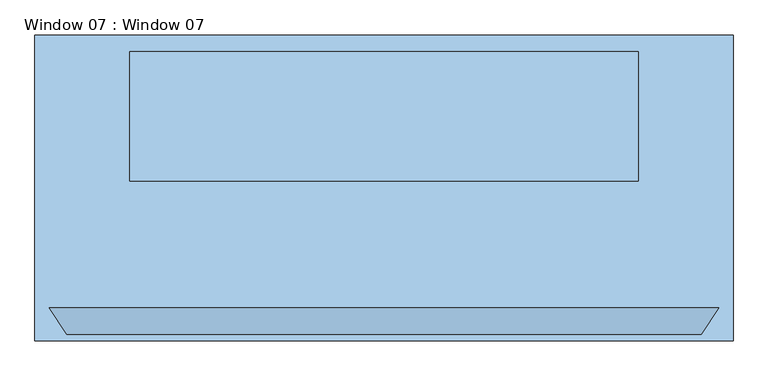
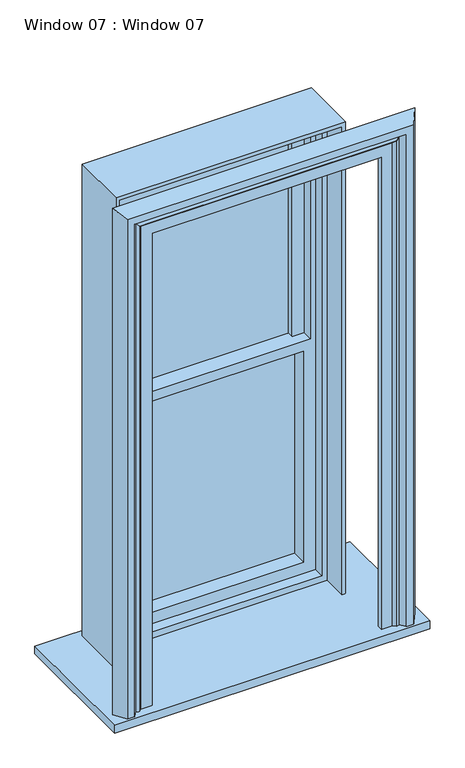
"""IFC4 building model written with IfcOpenShell, lengths in millimetres: window geometry, Window 07 : Window 07."""

from ifc_helpers import new_model, si_unit, frame, origin, place, context, project, spatial, polyline, outline, extrude, faceted_brep, source, transform, mapped, element, save


def window_07_window_07_a94d3a0d(model_context):
    return source(origin(), model_context, "Body", "SolidModel", [
        extrude(outline(polyline([(444.3636897, 224.79), (-444.3636897, 224.79), (-444.3636897, 250.19), (444.3636897, 250.19), (444.3636897, 224.79)])), frame((0.0, 0.0, 1041.4), z_axis=(0.0, 0.0, 1.0), x_axis=(1.0, 0.0, 0.0)), (0.0, 0.0, 1.0), 1054.1),
        extrude(outline(polyline([(745.998, -361.95), (-745.998, -361.95), (-745.998, 292.1), (745.998, 292.1), (745.998, -361.95)])), frame((0.0, 0.0, 914.4), z_axis=(0.0, 0.0, 1.0), x_axis=(1.0, 0.0, 0.0)), (0.0, 0.0, 1.0), 38.1),
        extrude(outline(polyline([(3313.176, 542.798), (3313.176, -542.798), (952.5, -542.798), (952.5, -526.9136897), (3294.028359, -526.9136897), (3294.028359, 526.9136897), (952.5, 526.9136897), (952.5, 542.798), (3313.176, 542.798)])), frame((0.0, -20.4924175, 0.0), z_axis=(0.0, 1.0, 0.0), x_axis=(0.0, 0.0, 1.0)), (0.0, 0.0, 1.0), 277.0324175),
        extrude(outline(polyline([(3294.028359, 526.9136897), (3294.028359, -526.9136897), (952.5, -526.9136897), (952.5, 526.9136897), (3294.028359, 526.9136897)]), holes=[polyline([(3274.978359, 501.5136897), (984.25, 501.5136897), (984.25, -501.5136897), (3274.978359, -501.5136897), (3274.978359, 501.5136897)])]), frame((0.0, 100.1575825, 0.0), z_axis=(0.0, 1.0, 0.0), x_axis=(0.0, 0.0, 1.0)), (0.0, 0.0, 1.0), 156.3824175),
        extrude(outline(polyline([(3274.978359, 501.5136897), (3274.978359, -501.5136897), (984.25, -501.5136897), (984.25, 501.5136897), (3274.978359, 501.5136897)]), holes=[polyline([(2146.3, 476.1136897), (2146.3, -476.1136897), (3224.178359, -476.1136897), (3224.178359, 476.1136897), (2146.3, 476.1136897)]), polyline([(2095.5, 444.3636897), (1041.4, 444.3636897), (1041.4, -444.3636897), (2095.5, -444.3636897), (2095.5, 444.3636897)])]), frame((0.0, 150.9575825, 0.0), z_axis=(0.0, 1.0, 0.0), x_axis=(0.0, 0.0, 1.0)), (0.0, 0.0, 1.0), 105.5824175),
        extrude(outline(polyline([(3224.178359, -476.1136897), (2146.3, -476.1136897), (2146.3, -418.9636897), (3198.778359, -418.9636897), (3198.778359, 418.9636897), (2146.3, 418.9636897), (2146.3, 476.1136897), (3224.178359, 476.1136897), (3224.178359, -476.1136897)])), frame((0.0, 201.7575825, 0.0), z_axis=(0.0, 1.0, 0.0), x_axis=(0.0, 0.0, 1.0)), (0.0, 0.0, 1.0), 54.7824175),
        extrude(outline(polyline([(418.9636897, 231.0816972), (-418.9636897, 231.0816972), (-418.9636897, 256.54), (418.9636897, 256.54), (418.9636897, 231.0816972)])), frame((0.0, 0.0, 2146.3), z_axis=(0.0, 0.0, 1.0), x_axis=(1.0, 0.0, 0.0)), (0.0, 0.0, 1.0), 1052.478359),
        faceted_brep([(715.4153887, -292.1, 952.5), (677.7358113, -348.7979492, 952.5), (643.2726197, -348.7979492, 952.5), (623.3357483, -322.2641439, 952.5), (609.1721356, -328.0150403, 952.5), (595.9656242, -315.2976797, 952.5), (542.798, -315.2976797, 952.5), (542.798, -292.1, 952.5), (715.4153887, -292.1, 3485.7933887), (677.7358113, -348.7979492, 3448.1138113), (-677.7358113, -348.7979492, 3448.1138113), (-677.7358113, -348.7979492, 952.5), (-643.2726197, -348.7979492, 952.5), (-643.2726197, -348.7979492, 3413.6506197), (643.2726197, -348.7979492, 3413.6506197), (623.3357483, -322.2641439, 3393.7137483), (609.1721356, -328.0150403, 3379.5501356), (595.9656242, -315.2976797, 3366.3436242), (-595.9656242, -315.2976797, 3366.3436242), (-595.9656242, -315.2976797, 952.5), (-542.798, -315.2976797, 952.5), (-542.798, -315.2976797, 3313.176), (542.798, -315.2976797, 3313.176), (542.798, -292.1, 3313.176), (-542.798, -292.1, 3313.176), (-542.798, -292.1, 952.5), (-715.4153887, -292.1, 952.5), (-715.4153887, -292.1, 3485.7933887), (-609.1721356, -328.0150403, 952.5), (-623.3357483, -322.2641439, 952.5), (-609.1721356, -328.0150403, 3379.5501356), (-623.3357483, -322.2641439, 3393.7137483)], [[[0, 1, 2, 3, 4, 5, 6, 7]], [[1, 0, 8, 9]], [[2, 1, 9, 10, 11, 12, 13, 14]], [[3, 2, 14, 15]], [[4, 3, 15, 16]], [[5, 4, 16, 17]], [[6, 5, 17, 18, 19, 20, 21, 22]], [[7, 6, 22, 23]], [[0, 7, 23, 24, 25, 26, 27, 8]], [[26, 25, 20, 19, 28, 29, 12, 11]], [[24, 21, 20, 25]], [[18, 30, 28, 19]], [[30, 31, 29, 28]], [[31, 13, 12, 29]], [[10, 27, 26, 11]], [[17, 16, 30, 18]], [[23, 22, 21, 24]], [[16, 15, 31, 30]], [[15, 14, 13, 31]], [[9, 8, 27, 10]]]),
    ])


if __name__ == "__main__":
    model = new_model("IFC4")
    model_context = context("Model", 3, world=origin())
    ifc_project = project(units=[si_unit("LENGTHUNIT", "METRE", prefix="MILLI")], contexts=[model_context])
    site = spatial("IfcSite", under=ifc_project)
    building = spatial("IfcBuilding", under=site)
    placement = place(None, origin())
    window_07_window_07_shape = window_07_window_07_a94d3a0d(model_context)
    element("IfcWindow", 1, ObjectType="Window 07 : Window 07", at=placement, inside=building, context=model_context, shape_type="MappedRepresentation", body=[
        mapped(window_07_window_07_shape, transform((0.0, 0.0, 0.0), x_axis=(1.0, 0.0, 0.0), y_axis=(0.0, 1.0, 0.0), z_axis=(0.0, 0.0, 1.0))),
    ])
    save(model, "model.ifc")
